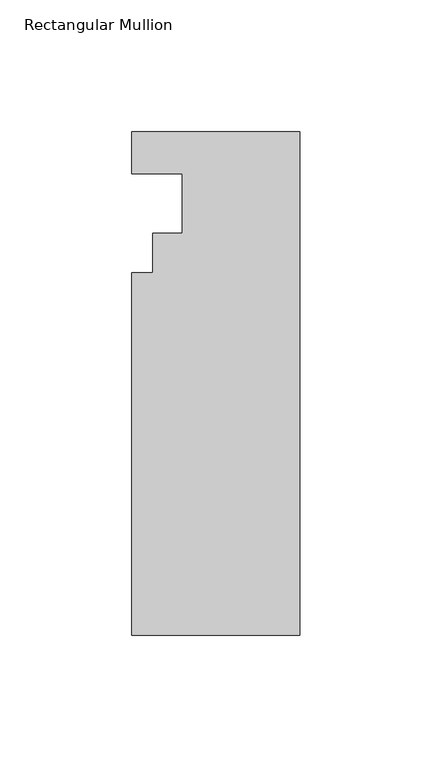
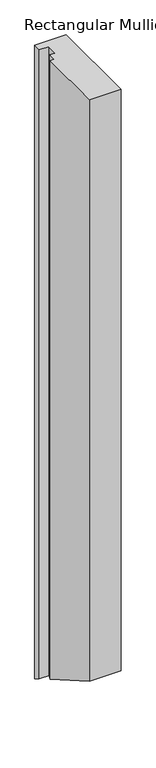
"""IFC4 building model written with IfcOpenShell, lengths in millimetres: member geometry, Rectangular Mullion."""

import ifcopenshell
import ifcopenshell.guid

model = None  # the IFC model being written
_history = None  # IfcOwnerHistory: only IFC2X3 demands one
_inside = {}  # id of a spatial element -> (the spatial element, [elements in it])
_under = {}  # id of a project, library or spatial element -> (it, [spatial elements below it])
_declared = {}  # id of a project -> (the project, [libraries it declares])
_typed = {}  # id of a type object -> (the type object, [elements of that type])
_made_of = {}  # id of a material, layer set ... -> (it, [elements and type objects made of it])


def new_model(schema):
    """Start an empty IFC model of exactly this schema.

    Asked for "IFC4X3", IfcOpenShell would pick the latest addendum, in which some entities
    have other attributes; the version numbers below select the first issue.
    IFC2X3 requires an IfcOwnerHistory on every rooted entity: one is made here for all.
    """
    global model, _history
    if schema == "IFC4X3":
        model = ifcopenshell.file(schema_version=(4, 3, 0, 0))
    else:
        model = ifcopenshell.file(schema=schema)
    _inside.clear()
    _under.clear()
    _declared.clear()
    _typed.clear()
    _made_of.clear()
    _history = None
    if model.schema == "IFC2X3":
        org = make("IfcOrganization", Name="unknown")
        user = make(
            "IfcPersonAndOrganization",
            ThePerson=make("IfcPerson", FamilyName="unknown"),
            TheOrganization=org,
        )
        app = make(
            "IfcApplication",
            ApplicationDeveloper=org,
            Version="unknown",
            ApplicationFullName="unknown",
            ApplicationIdentifier="unknown",
        )
        _history = make(
            "IfcOwnerHistory",
            OwningUser=user,
            OwningApplication=app,
            ChangeAction="ADDED",
            CreationDate=0,
        )
    return model


def make(cls, **values):
    """One entity of the class cls with the attributes given. An attribute that is None is left unset."""
    return model.create_entity(
        cls, **{name: value for name, value in values.items() if value is not None}
    )


def rooted(cls, **values):
    """An entity with a GlobalId (a new one), such as an element, a storey or a relation."""
    return make(cls, GlobalId=ifcopenshell.guid.new(), OwnerHistory=_history, **values)


def si_unit(unit_type, name, prefix=None):
    """IfcSIUnit, for example si_unit("LENGTHUNIT", "METRE", prefix="MILLI")."""
    return make("IfcSIUnit", UnitType=unit_type, Prefix=prefix, Name=name)


def assignment(units):
    """IfcUnitAssignment: the units of a project."""
    return None if units is None else make("IfcUnitAssignment", Units=units)


def point(xyz):
    """IfcCartesianPoint."""
    return None if xyz is None else make("IfcCartesianPoint", Coordinates=xyz)


def direction(xyz):
    """IfcDirection."""
    return None if xyz is None else make("IfcDirection", DirectionRatios=xyz)


def frame(location, z_axis=None, x_axis=None):
    """IfcAxis2Placement3D, a coordinate frame: its origin and axes. An axis left out is left unset."""
    return make(
        "IfcAxis2Placement3D",
        Location=point(location),
        Axis=direction(z_axis),
        RefDirection=direction(x_axis),
    )


def origin():
    """The frame at (0, 0, 0) with its axes left unset."""
    return frame((0.0, 0.0, 0.0))


def place(relative_to, where):
    """IfcLocalPlacement: puts the frame where relative to a parent placement (None: the world)."""
    return make(
        "IfcLocalPlacement", PlacementRelTo=relative_to, RelativePlacement=where
    )


def context(
    kind, dimensions, precision=None, world=None, true_north=None, identifier=None
):
    """IfcGeometricRepresentationContext, for example the 3D "Model" context."""
    return make(
        "IfcGeometricRepresentationContext",
        ContextIdentifier=identifier,
        ContextType=kind,
        CoordinateSpaceDimension=dimensions,
        Precision=precision,
        WorldCoordinateSystem=world,
        TrueNorth=true_north,
    )


def project(units=None, contexts=None):
    """IfcProject with its units and contexts."""
    return rooted(
        "IfcProject",
        Name="project",
        RepresentationContexts=contexts,
        UnitsInContext=assignment(units),
    )


def spatial(cls, under=None, at=None, **own):
    """A site, building, storey or space (cls), placed at a placement, below another one or the project."""
    s = rooted(cls, ObjectPlacement=at, **own)
    if under is not None:
        _under.setdefault(under.id(), (under, []))[1].append(s)
    return s


def faces_of(points, faces, orient=None, outer=None):
    """IfcFace entities. A face is a list of loops; a loop is a list of indices into points, from 0.

    orient and outer hold one flag for each loop. By default every Orientation is true, the
    first loop of a face is its IfcFaceOuterBound and the others are IfcFaceBound.
    """
    made = []
    for i, loops in enumerate(faces):
        bounds = []
        for j, loop in enumerate(loops):
            is_outer = j == 0 if outer is None else outer[i][j]
            bounds.append(
                make(
                    "IfcFaceOuterBound" if is_outer else "IfcFaceBound",
                    Bound=make("IfcPolyLoop", Polygon=[points[k] for k in loop]),
                    Orientation=True if orient is None else orient[i][j],
                )
            )
        made.append(make("IfcFace", Bounds=bounds))
    return made


def faceted_brep(points, faces, orient=None, outer=None, voids=None):
    """IfcFacetedBrep: a solid bounded by flat faces; with voids (closed shells), ...WithVoids."""
    shared = [point(p) for p in points]
    hull = make("IfcClosedShell", CfsFaces=faces_of(shared, faces, orient, outer))
    if voids is None:
        return make("IfcFacetedBrep", Outer=hull)
    return make(
        "IfcFacetedBrepWithVoids",
        Outer=hull,
        Voids=[
            make(cls, CfsFaces=faces_of(shared, fs, o, b)) for cls, fs, o, b in voids
        ],
    )


def shape(context_of_items, identifier, shape_type, items):
    """IfcShapeRepresentation: the items that make up one representation, for example the "Body"."""
    return make(
        "IfcShapeRepresentation",
        ContextOfItems=context_of_items,
        RepresentationIdentifier=identifier,
        RepresentationType=shape_type,
        Items=items,
    )


def source(mapping_origin, context_of_items, identifier, shape_type, items):
    """IfcRepresentationMap: a shape defined once, which mapped items show again and again."""
    return make(
        "IfcRepresentationMap",
        MappingOrigin=mapping_origin,
        MappedRepresentation=shape(context_of_items, identifier, shape_type, items),
    )


def transform(
    local_origin,
    x_axis=None,
    y_axis=None,
    z_axis=None,
    scale=None,
    scale2=None,
    scale3=None,
    uniform=True,
):
    """IfcCartesianTransformationOperator3D, or its non-uniform kind. x_axis, y_axis, z_axis: its Axis1, 2, 3."""
    if uniform:
        return make(
            "IfcCartesianTransformationOperator3D",
            Axis1=direction(x_axis),
            Axis2=direction(y_axis),
            LocalOrigin=point(local_origin),
            Scale=scale,
            Axis3=direction(z_axis),
        )
    return make(
        "IfcCartesianTransformationOperator3DnonUniform",
        Axis1=direction(x_axis),
        Axis2=direction(y_axis),
        LocalOrigin=point(local_origin),
        Scale=scale,
        Axis3=direction(z_axis),
        Scale2=scale2,
        Scale3=scale3,
    )


def mapped(mapping_source, mapping_target):
    """IfcMappedItem: shows the shape of a source again, moved by a transform."""
    return make(
        "IfcMappedItem", MappingSource=mapping_source, MappingTarget=mapping_target
    )


def made_of(thing, what):
    """Note that an element or type object is made of a material, layer set ...; save() writes the relation."""
    if what is not None:
        _made_of.setdefault(what.id(), (what, []))[1].append(thing)
    return thing


def element(
    cls,
    number,
    at=None,
    inside=None,
    cuts=None,
    type_object=None,
    material=None,
    context=None,
    identifier="Body",
    shape_type=None,
    held_by="IfcProductDefinitionShape",
    body=None,
    shapes=None,
    **own,
):
    """One element of the class cls, such as IfcWall. Its Tag is "e" and its number.

    at: its placement. inside: the storey or other place that contains it. cuts: it is an
    opening in that element (IfcRelVoidsElement). A single representation is given by context,
    identifier, shape_type and body (its items); several are given by shapes. held_by: the class
    of the entity that holds the representations. save() writes the other relations.
    """
    e = rooted(cls, Tag="e%d" % number, ObjectPlacement=at, **own)
    if body is not None:
        shapes = [shape(context, identifier, shape_type, body)]
    if shapes is not None:
        e.Representation = make(held_by, Representations=shapes)
    if inside is not None:
        _inside.setdefault(inside.id(), (inside, []))[1].append(e)
    if cuts is not None:
        rooted(
            "IfcRelVoidsElement", RelatingBuildingElement=cuts, RelatedOpeningElement=e
        )
    if type_object is not None:
        _typed.setdefault(type_object.id(), (type_object, []))[1].append(e)
    return made_of(e, material)


def aggregate(whole, parts):
    """IfcRelAggregates: a whole, such as a stair, and the parts it consists of."""
    return rooted("IfcRelAggregates", RelatingObject=whole, RelatedObjects=parts)


def save(model, path):
    """Write the relations noted so far, then the file.

    IfcRelAggregates (storeys below a building ...), IfcRelContainedInSpatialStructure (elements
    in a storey), IfcRelDefinesByType, IfcRelAssociatesMaterial and IfcRelDeclares: one each for
    every whole, place, type object, material and project.
    """
    for whole, parts in _under.values():
        aggregate(whole, parts)
    for where, things in _inside.values():
        rooted(
            "IfcRelContainedInSpatialStructure",
            RelatedElements=things,
            RelatingStructure=where,
        )
    for kind, things in _typed.values():
        rooted("IfcRelDefinesByType", RelatedObjects=things, RelatingType=kind)
    for what, things in _made_of.values():
        rooted("IfcRelAssociatesMaterial", RelatedObjects=things, RelatingMaterial=what)
    for by, libraries in _declared.values():
        rooted("IfcRelDeclares", RelatingContext=by, RelatedDefinitions=libraries)
    model.write(path)


def rectangular_mullion_0367c59a(model_context):
    return source(origin(), model_context, "Body", "Brep", [
        faceted_brep([(0.0, -190.4007813, 0.0), (0.0, 0.3278187, 0.0), (-63.5, 0.3278187, 0.0), (-63.5, -15.5217813, 0.0), (-44.45, -15.5217813, 0.0), (-44.45, -38.0007812, 0.0), (-55.5752, -38.0007813, 0.0), (-55.5752, -53.0629813, 0.0), (-63.5, -53.0629813, 0.0), (-63.5, -190.4007813, 0.0), (0.0, -190.4007813, -1236.2720577), (0.0, 0.3278187, -1346.3892662), (-63.5, 0.3278187, -1346.3892662), (-63.5, -15.5217813, -1337.2384954), (-44.45, -15.5217813, -1337.2384954), (-44.45, -38.0007812, -1324.2602387), (-55.5752, -38.0007813, -1324.2602387), (-55.5752, -53.0629813, -1315.5640735), (-63.5, -53.0629813, -1315.5640735), (-63.5, -190.4007813, -1236.2720577)], [[[0, 1, 2, 3, 4, 5, 6, 7, 8, 9]], [[1, 0, 10, 11]], [[2, 1, 11, 12]], [[3, 2, 12, 13]], [[4, 3, 13, 14]], [[5, 4, 14, 15]], [[6, 5, 15, 16]], [[7, 6, 16, 17]], [[8, 7, 17, 18]], [[9, 8, 18, 19]], [[0, 9, 19, 10]], [[10, 19, 18, 17, 16, 15, 14, 13, 12, 11]]]),
    ])


if __name__ == "__main__":
    model = new_model("IFC4")
    model_context = context("Model", 3, world=origin())
    ifc_project = project(units=[si_unit("LENGTHUNIT", "METRE", prefix="MILLI")], contexts=[model_context])
    site = spatial("IfcSite", under=ifc_project)
    building = spatial("IfcBuilding", under=site)
    placement = place(None, origin())
    rectangular_mullion_shape = rectangular_mullion_0367c59a(model_context)
    element("IfcMember", 1, ObjectType="Rectangular Mullion", at=placement, inside=building, context=model_context, shape_type="MappedRepresentation", body=[
        mapped(rectangular_mullion_shape, transform((0.0, 0.0, 0.0), x_axis=(1.0, 0.0, 0.0), y_axis=(0.0, 1.0, 0.0), z_axis=(0.0, 0.0, 1.0))),
    ])
    save(model, "model.ifc")
